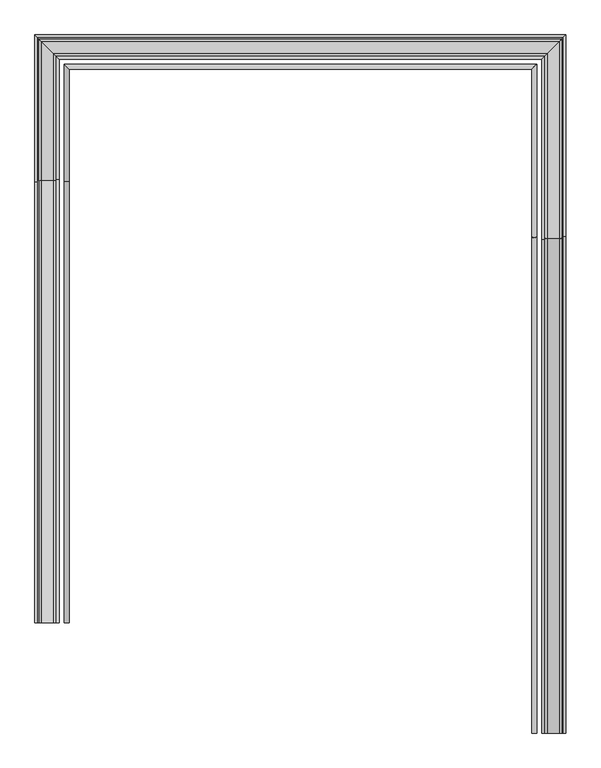
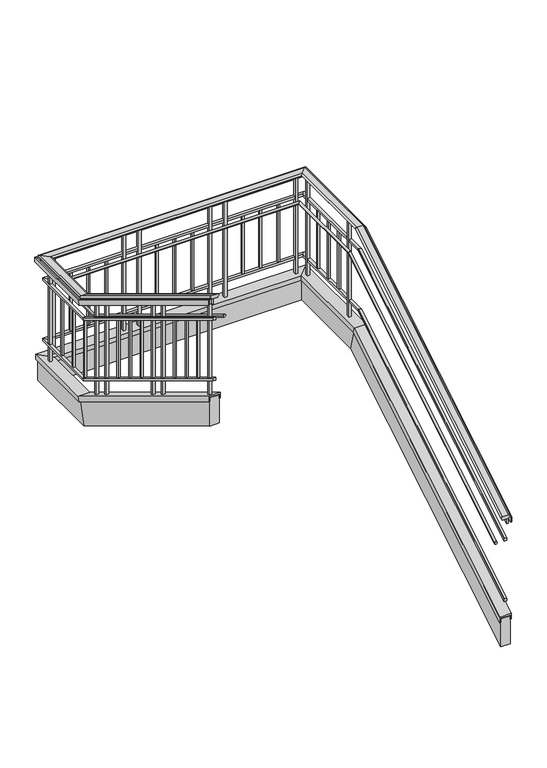
"""IFC4 building model written with IfcOpenShell, lengths in millimetres: railing geometry."""

from ifc_helpers import new_model, si_unit, frame, origin, place, context, project, spatial, polyline, ellipse_curve, outline, extrude, faceted_brep, source, transform, mapped, element, save
from ifc_brep_helpers import plane_surface, cylinder_surface, advanced_brep


def railing_9f2eba66(model_context):
    return source(origin(), model_context, "Body", "SolidModel", [
        advanced_brep(
        [(-18297.9601205, -2131.266536, 1273.259246), (-18297.9601205, -2131.266536, 1247.2709218), (-18297.9601205, -2131.266536, 1236.1333333), (-18234.6103678, -2131.266536, 1236.1333333), (-18234.6103678, -2131.266536, 1247.1970062), (-18234.6103678, -2131.266536, 1273.259246), (-18297.9601205, 374.4632081, 2791.8833333), (-18297.9601205, 380.6724315, 2769.6581748), (-18297.9601205, 383.333464, 2760.1333333), (-18234.6103678, 383.333464, 2760.1333333), (-18234.6103678, 380.6900917, 2769.5949623), (-18234.6103678, 374.4632081, 2791.8833333), (-18297.9601205, 1312.1712113, 2791.8833333), (-18297.9601205, 1312.1712113, 2769.6581748), (-18297.9601205, 1312.1712113, 2760.1333333), (-18234.6103678, 1375.520964, 2760.1333333), (-18234.6103678, 1375.520964, 2769.5949623), (-18234.6103678, 1375.520964, 2791.8833333), (-20801.9121283, 1312.1712113, 2791.8833333), (-20801.9121283, 1312.1712113, 2769.6581748), (-20801.9121283, 1312.1712113, 2760.1333333), (-20865.2618809, 1375.520964, 2760.1333333), (-20865.2618809, 1375.520964, 2769.5949623), (-20865.2618809, 1375.520964, 2791.8833333), (-20801.9121283, 671.6037198, 2791.8833333), (-20801.9121283, 665.3944964, 2769.6581748), (-20801.9121283, 662.733464, 2760.1333333), (-20865.2618809, 662.733464, 2760.1333333), (-20865.2618809, 665.3768362, 2769.5949623), (-20865.2618809, 671.6037198, 2791.8833333), (-20801.9121283, -1572.466536, 4151.9259127), (-20865.2618809, -1572.466536, 4151.9259127), (-20865.2618809, -1572.466536, 4125.8636728), (-20865.2618809, -1572.466536, 4114.8), (-20801.9121283, -1572.466536, 4114.8), (-20801.9121283, -1572.466536, 4125.9375884)],
        [
            (0, 1, ellipse_curve(frame((-18297.9601205, -2131.266536, 1260.2650839), z_axis=(0.0, -1.0, 0.0), x_axis=(0.0, 0.0, -1.0)), 12.9941621, 11.1125793)),
            (1, 2),
            (2, 3),
            (3, 4),
            (4, 5, ellipse_curve(frame((-18234.6103678, -2131.266536, 1260.2281261), z_axis=(0.0, -1.0, 0.0), x_axis=(0.0, 0.0, -1.0)), 13.0311199, 11.1441855)),
            (5, 0),
            (0, 6),
            (6, 7, ellipse_curve(frame((-18297.9601205, 377.5678198, 2780.7707541), z_axis=(0.0, -0.9631193673564087, -0.26907449567543734), x_axis=(0.0, 0.2690744956754369, -0.9631193673564088)), 11.5381121, 11.1125793)),
            (7, 1),
            (7, 8),
            (8, 2),
            (8, 9),
            (9, 3),
            (9, 10),
            (10, 4),
            (10, 11, ellipse_curve(frame((-18234.6103678, 377.5766499, 2780.7391478), z_axis=(0.0, -0.9631193673564087, -0.26907449567543734), x_axis=(0.0, 0.2690744956754369, -0.9631193673564088)), 11.5709287, 11.1441855)),
            (11, 5),
            (11, 6),
            (6, 12),
            (12, 13, ellipse_curve(frame((-18297.9601205, 1312.1712113, 2780.7707541), z_axis=(0.7071067811865475, -0.7071067811865475, 0.0), x_axis=(-0.7071067811865474, -0.7071067811865476, 0.0)), 15.7155603, 11.1125793)),
            (13, 7),
            (13, 14),
            (14, 8),
            (14, 15),
            (15, 9),
            (15, 16),
            (16, 10),
            (16, 17, ellipse_curve(frame((-18234.6103678, 1375.520964, 2780.7391478), z_axis=(0.7071067811865475, -0.7071067811865475, 0.0), x_axis=(-0.7071067811865474, -0.7071067811865476, 0.0)), 15.7602583, 11.1441855)),
            (17, 11),
            (17, 12),
            (12, 18),
            (18, 19, ellipse_curve(frame((-20801.9121283, 1312.1712113, 2780.7707541), z_axis=(0.7071067811865475, 0.7071067811865475, 0.0), x_axis=(0.7071067811865476, -0.7071067811865474, 0.0)), 15.7155603, 11.1125793)),
            (19, 13),
            (19, 20),
            (20, 14),
            (20, 21),
            (21, 15),
            (21, 22),
            (22, 16),
            (22, 23, ellipse_curve(frame((-20865.2618809, 1375.520964, 2780.7391478), z_axis=(0.7071067811865475, 0.7071067811865475, 0.0), x_axis=(0.7071067811865476, -0.7071067811865474, 0.0)), 15.7602583, 11.1441855)),
            (23, 17),
            (23, 18),
            (18, 24),
            (24, 25, ellipse_curve(frame((-20801.9121283, 668.4991081, 2780.7707541), z_axis=(0.0, 0.9631193673564087, -0.2690744956754374), x_axis=(0.0, 0.26907449567543773, 0.9631193673564086)), 11.5381121, 11.1125793)),
            (25, 19),
            (25, 26),
            (26, 20),
            (26, 27),
            (27, 21),
            (27, 28),
            (28, 22),
            (28, 29, ellipse_curve(frame((-20865.2618809, 668.490278, 2780.7391478), z_axis=(0.0, 0.9631193673564087, -0.2690744956754374), x_axis=(0.0, 0.26907449567543773, 0.9631193673564086)), 11.5709287, 11.1441855)),
            (29, 23),
            (29, 24),
            (30, 31),
            (31, 32, ellipse_curve(frame((-20865.2618809, -1572.466536, 4138.8947927), z_axis=(0.0, -1.0, 0.0), x_axis=(0.0, 0.0, -1.0)), 13.0311199, 11.1441855)),
            (32, 33),
            (33, 34),
            (34, 35),
            (35, 30, ellipse_curve(frame((-20801.9121283, -1572.466536, 4138.9317505), z_axis=(0.0, -1.0, 0.0), x_axis=(0.0, 0.0, -1.0)), 12.9941621, 11.1125793)),
            (24, 30),
            (35, 25),
            (34, 26),
            (33, 27),
            (32, 28),
            (31, 29),
        ],
        [
            plane_surface(frame((-18266.3603678, -2131.266536, 1236.1333333), z_axis=(0.0, -1.0, 0.0), x_axis=(0.0, 0.0, 1.0))),
            cylinder_surface(frame((-18297.9601205, -2141.9629466, 1253.7824108), z_axis=(0.0, -0.8551978315540181, -0.518301716093344), x_axis=(1.0, 0.0, 0.0)), 11.1125793),
            plane_surface(frame((-18297.9601205, -2131.266536, 1247.2709218), z_axis=(-1.0000000000000002, 0.0, 0.0), x_axis=(0.0, 0.8551978315540182, 0.518301716093344))),
            plane_surface(frame((-18297.9601205, -2131.266536, 1236.1333333), z_axis=(0.0, 0.518301716093344, -0.8551978315540181), x_axis=(0.0, 0.8551978315540181, 0.518301716093344))),
            plane_surface(frame((-18234.6103678, -2131.266536, 1236.1333333), z_axis=(1.0, 0.0, 0.0), x_axis=(0.0, 0.8551978315540181, 0.518301716093344))),
            cylinder_surface(frame((-18234.6103678, -2141.9465651, 1253.7553812), z_axis=(0.0, -0.8551978315540181, -0.518301716093344), x_axis=(1.0, 0.0, 0.0)), 11.1441855),
            plane_surface(frame((-18234.6103678, -2131.266536, 1273.259246), z_axis=(0.0, -0.518301716093344, 0.8551978315540181), x_axis=(0.0, 0.8551978315540181, 0.518301716093344))),
            cylinder_surface(frame((-18297.9601205, 383.333464, 2780.7707541), z_axis=(0.0, -1.0, 0.0), x_axis=(1.0, 0.0, 0.0)), 11.1125793),
            plane_surface(frame((-18297.9601205, 380.6724315, 2769.6581748), z_axis=(-1.0, 0.0, 0.0), x_axis=(0.0, 1.0, 0.0))),
            plane_surface(frame((-18297.9601205, 383.333464, 2760.1333333), z_axis=(0.0, 0.0, -1.0), x_axis=(0.0, 1.0, 0.0))),
            plane_surface(frame((-18234.6103678, 383.333464, 2760.1333333), z_axis=(1.0, 0.0, 0.0), x_axis=(0.0, 1.0, 0.0))),
            cylinder_surface(frame((-18234.6103678, 383.333464, 2780.7391478), z_axis=(0.0, -1.0, 0.0), x_axis=(1.0, 0.0, 0.0)), 11.1441855),
            plane_surface(frame((-18234.6103678, 374.4632081, 2791.8833333), z_axis=(0.0, 0.0, 1.0), x_axis=(0.0, 1.0, 0.0))),
            cylinder_surface(frame((-18266.3603678, 1312.1712113, 2780.7707541), z_axis=(1.0, 0.0, 0.0), x_axis=(0.0, 1.0, 0.0)), 11.1125793),
            plane_surface(frame((-18297.9601205, 1312.1712113, 2769.6581748), z_axis=(0.0, -1.0, 0.0), x_axis=(-1.0, 0.0, 0.0))),
            plane_surface(frame((-18297.9601205, 1312.1712113, 2760.1333333), z_axis=(0.0, 0.0, -1.0), x_axis=(-1.0, 0.0, 0.0))),
            plane_surface(frame((-18234.6103678, 1375.520964, 2760.1333333), z_axis=(0.0, 1.0, 0.0), x_axis=(-1.0, 0.0, 0.0))),
            cylinder_surface(frame((-18266.3603678, 1375.520964, 2780.7391478), z_axis=(1.0, 0.0, 0.0), x_axis=(0.0, 1.0, 0.0)), 11.1441855),
            plane_surface(frame((-18234.6103678, 1375.520964, 2791.8833333), z_axis=(0.0, 0.0, 1.0), x_axis=(-1.0, 0.0, 0.0))),
            cylinder_surface(frame((-20801.9121283, 1343.770964, 2780.7707541), z_axis=(0.0, 1.0, 0.0), x_axis=(-1.0, 0.0, 0.0)), 11.1125793),
            plane_surface(frame((-20801.9121283, 1312.1712113, 2769.6581748), z_axis=(1.0, 0.0, 0.0), x_axis=(0.0, -1.0, 0.0))),
            plane_surface(frame((-20801.9121283, 1312.1712113, 2760.1333333), z_axis=(0.0, 0.0, -1.0), x_axis=(0.0, -1.0, 0.0))),
            plane_surface(frame((-20865.2618809, 1375.520964, 2760.1333333), z_axis=(-1.0, 0.0, 0.0), x_axis=(0.0, -1.0, 0.0))),
            cylinder_surface(frame((-20865.2618809, 1343.770964, 2780.7391478), z_axis=(0.0, 1.0, 0.0), x_axis=(-1.0, 0.0, 0.0)), 11.1441855),
            plane_surface(frame((-20865.2618809, 1375.520964, 2791.8833333), z_axis=(0.0, 0.0, 1.0), x_axis=(0.0, -1.0, 0.0))),
            plane_surface(frame((-20833.5118809, -1572.466536, 4114.8), z_axis=(0.0, -1.0, 0.0), x_axis=(0.0, 0.0, -1.0))),
            cylinder_surface(frame((-20801.9121283, 673.4298745, 2777.7824108), z_axis=(0.0, 0.855197831554018, -0.5183017160933441), x_axis=(-1.0, 0.0, 0.0)), 11.1125793),
            plane_surface(frame((-20801.9121283, 665.3944964, 2769.6581748), z_axis=(1.0, 0.0, 0.0), x_axis=(0.0, -0.8551978315540181, 0.5183017160933441))),
            plane_surface(frame((-20801.9121283, 662.733464, 2760.1333333), z_axis=(0.0, -0.5183017160933441, -0.855197831554018), x_axis=(0.0, -0.855197831554018, 0.5183017160933441))),
            plane_surface(frame((-20865.2618809, 662.733464, 2760.1333333), z_axis=(-1.0000000000000002, 0.0, 0.0), x_axis=(0.0, -0.8551978315540181, 0.5183017160933442))),
            cylinder_surface(frame((-20865.2618809, 673.413493, 2777.7553812), z_axis=(0.0, 0.855197831554018, -0.5183017160933441), x_axis=(-1.0, 0.0, 0.0)), 11.1441855),
            plane_surface(frame((-20865.2618809, 671.6037198, 2791.8833333), z_axis=(0.0, 0.5183017160933441, 0.8551978315540181), x_axis=(0.0, -0.8551978315540181, 0.5183017160933441))),
        ],
        [
            (0, [[1, 2, 3, 4, 5, 6]]),
            (1, [[-1, 7, 8, 9]]),
            (2, [[-2, -9, 10, 11]]),
            (3, [[-3, -11, 12, 13]]),
            (4, [[-4, -13, 14, 15]]),
            (5, [[-5, -15, 16, 17]]),
            (6, [[-6, -17, 18, -7]]),
            (7, [[-8, 19, 20, 21]]),
            (8, [[-10, -21, 22, 23]]),
            (9, [[-12, -23, 24, 25]]),
            (10, [[-14, -25, 26, 27]]),
            (11, [[-16, -27, 28, 29]]),
            (12, [[-18, -29, 30, -19]]),
            (13, [[-20, 31, 32, 33]]),
            (14, [[-22, -33, 34, 35]]),
            (15, [[-24, -35, 36, 37]]),
            (16, [[-26, -37, 38, 39]]),
            (17, [[-28, -39, 40, 41]]),
            (18, [[-30, -41, 42, -31]]),
            (19, [[-32, 43, 44, 45]]),
            (20, [[-34, -45, 46, 47]]),
            (21, [[-36, -47, 48, 49]]),
            (22, [[-38, -49, 50, 51]]),
            (23, [[-40, -51, 52, 53]]),
            (24, [[-42, -53, 54, -43]]),
            (25, [[55, 56, 57, 58, 59, 60]]),
            (26, [[-44, 61, -60, 62]]),
            (27, [[-46, -62, -59, 63]]),
            (28, [[-48, -63, -58, 64]]),
            (29, [[-50, -64, -57, 65]]),
            (30, [[-52, -65, -56, 66]]),
            (31, [[-54, -66, -55, -61]]),
        ],
    ),
        faceted_brep([(-18240.8852442, -2131.266536, 1236.1333333), (-18253.5852442, -2131.266536, 1236.1333333), (-18253.5852442, -2131.266536, 1184.1570556), (-18240.8852442, -2131.266536, 1184.1570556), (-18240.8852442, 383.333464, 2760.1333333), (-18253.5852442, 383.333464, 2760.1333333), (-18253.5852442, 395.7518222, 2715.6833333), (-18240.8852442, 395.7518222, 2715.6833333), (-18240.8852442, 1369.2460876, 2760.1333333), (-18253.5852442, 1356.5460876, 2760.1333333), (-18253.5852442, 1356.5460876, 2715.6833333), (-18240.8852442, 1369.2460876, 2715.6833333), (-20858.9870046, 1369.2460876, 2760.1333333), (-20846.2870046, 1356.5460876, 2760.1333333), (-20846.2870046, 1356.5460876, 2715.6833333), (-20858.9870046, 1369.2460876, 2715.6833333), (-20858.9870046, 662.733464, 2760.1333333), (-20846.2870046, 662.733464, 2760.1333333), (-20846.2870046, 650.3151057, 2715.6833333), (-20858.9870046, 650.3151057, 2715.6833333), (-20858.9870046, -1572.466536, 4114.8), (-20858.9870046, -1572.466536, 4062.8237223), (-20846.2870046, -1572.466536, 4062.8237223), (-20846.2870046, -1572.466536, 4114.8)], [[[0, 1, 2, 3]], [[1, 0, 4, 5]], [[2, 1, 5, 6]], [[3, 2, 6, 7]], [[0, 3, 7, 4]], [[5, 4, 8, 9]], [[6, 5, 9, 10]], [[7, 6, 10, 11]], [[4, 7, 11, 8]], [[9, 8, 12, 13]], [[10, 9, 13, 14]], [[11, 10, 14, 15]], [[8, 11, 15, 12]], [[13, 12, 16, 17]], [[14, 13, 17, 18]], [[15, 14, 18, 19]], [[12, 15, 19, 16]], [[20, 21, 22, 23]], [[17, 16, 20, 23]], [[18, 17, 23, 22]], [[19, 18, 22, 21]], [[16, 19, 21, 20]]]),
        faceted_brep([(-18202.7852442, -2131.266536, 1236.1333333), (-18215.4852442, -2131.266536, 1236.1333333), (-18215.4852442, -2131.266536, 1184.1570556), (-18202.7852442, -2131.266536, 1184.1570556), (-18202.7852442, 383.333464, 2760.1333333), (-18215.4852442, 383.333464, 2760.1333333), (-18215.4852442, 395.7518222, 2715.6833333), (-18202.7852442, 395.7518222, 2715.6833333), (-18202.7852442, 1407.3460876, 2760.1333333), (-18215.4852442, 1394.6460876, 2760.1333333), (-18215.4852442, 1394.6460876, 2715.6833333), (-18202.7852442, 1407.3460876, 2715.6833333), (-20897.0870046, 1407.3460876, 2760.1333333), (-20884.3870046, 1394.6460876, 2760.1333333), (-20884.3870046, 1394.6460876, 2715.6833333), (-20897.0870046, 1407.3460876, 2715.6833333), (-20897.0870046, 662.733464, 2760.1333333), (-20884.3870046, 662.733464, 2760.1333333), (-20884.3870046, 650.3151057, 2715.6833333), (-20897.0870046, 650.3151057, 2715.6833333), (-20897.0870046, -1572.466536, 4114.8), (-20897.0870046, -1572.466536, 4062.8237223), (-20884.3870046, -1572.466536, 4062.8237223), (-20884.3870046, -1572.466536, 4114.8)], [[[0, 1, 2, 3]], [[1, 0, 4, 5]], [[2, 1, 5, 6]], [[3, 2, 6, 7]], [[0, 3, 7, 4]], [[5, 4, 8, 9]], [[6, 5, 9, 10]], [[7, 6, 10, 11]], [[4, 7, 11, 8]], [[9, 8, 12, 13]], [[10, 9, 13, 14]], [[11, 10, 14, 15]], [[8, 11, 15, 12]], [[13, 12, 16, 17]], [[14, 13, 17, 18]], [[15, 14, 18, 19]], [[12, 15, 19, 16]], [[20, 21, 22, 23]], [[17, 16, 20, 23]], [[18, 17, 23, 22]], [[19, 18, 22, 21]], [[16, 19, 21, 20]]]),
        faceted_brep([(-18253.6603678, -2131.266536, 1037.2340635), (-18279.0603678, -2131.266536, 1037.2340635), (-18279.0603678, -2131.266536, 1007.5333333), (-18253.6603678, -2131.266536, 1007.5333333), (-18253.6603678, 376.2372592, 2556.9333333), (-18279.0603678, 376.2372592, 2556.9333333), (-18279.0603678, 383.333464, 2531.5333333), (-18253.6603678, 383.333464, 2531.5333333), (-18253.6603678, 1356.470964, 2556.9333333), (-18279.0603678, 1331.070964, 2556.9333333), (-18279.0603678, 1331.070964, 2531.5333333), (-18253.6603678, 1356.470964, 2531.5333333), (-20846.2118809, 1356.470964, 2556.9333333), (-20820.8118809, 1331.070964, 2556.9333333), (-20820.8118809, 1331.070964, 2531.5333333), (-20846.2118809, 1356.470964, 2531.5333333), (-20846.2118809, 669.8296687, 2556.9333333), (-20820.8118809, 669.8296687, 2556.9333333), (-20820.8118809, 662.733464, 2531.5333333), (-20846.2118809, 662.733464, 2531.5333333), (-20846.2118809, -1572.466536, 3915.9007301), (-20846.2118809, -1572.466536, 3886.2), (-20820.8118809, -1572.466536, 3886.2), (-20820.8118809, -1572.466536, 3915.9007301)], [[[0, 1, 2, 3]], [[1, 0, 4, 5]], [[2, 1, 5, 6]], [[3, 2, 6, 7]], [[0, 3, 7, 4]], [[5, 4, 8, 9]], [[6, 5, 9, 10]], [[7, 6, 10, 11]], [[4, 7, 11, 8]], [[9, 8, 12, 13]], [[10, 9, 13, 14]], [[11, 10, 14, 15]], [[8, 11, 15, 12]], [[13, 12, 16, 17]], [[14, 13, 17, 18]], [[15, 14, 18, 19]], [[12, 15, 19, 16]], [[20, 21, 22, 23]], [[17, 16, 20, 23]], [[18, 17, 23, 22]], [[19, 18, 22, 21]], [[16, 19, 21, 20]]]),
        advanced_brep(
        [(-18375.8978678, -2131.266536, 1020.2333333), (-18350.4978678, -2131.266536, 1020.2333333), (-18375.8978678, 383.333464, 2544.2333333), (-18350.4978678, 383.333464, 2544.2333333), (-18375.8978678, 1234.233464, 2544.2333333), (-18350.4978678, 1259.633464, 2544.2333333), (-20723.9743809, 1234.233464, 2544.2333333), (-20749.3743809, 1259.633464, 2544.2333333), (-20723.9743809, 662.733464, 2544.2333333), (-20749.3743809, 662.733464, 2544.2333333), (-20723.9743809, -1572.466536, 3898.9), (-20749.3743809, -1572.466536, 3898.9)],
        [
            (0, 1, ellipse_curve(frame((-18363.1978678, -2131.266536, 1020.2333333), z_axis=(0.0, -1.0, 0.0), x_axis=(0.0, 0.0, -1.0)), 14.8503651, 12.7)),
            (1, 0, ellipse_curve(frame((-18363.1978678, -2131.266536, 1020.2333333), z_axis=(0.0, -1.0, 0.0), x_axis=(0.0, 0.0, -1.0)), 14.8503651, 12.7)),
            (0, 2),
            (2, 3, ellipse_curve(frame((-18363.1978678, 383.333464, 2544.2333333), z_axis=(0.0, -0.9631193673564087, -0.26907449567543734), x_axis=(0.0, 0.2690744956754374, -0.9631193673564088)), 13.1863198, 12.7)),
            (3, 1),
            (3, 2, ellipse_curve(frame((-18363.1978678, 383.333464, 2544.2333333), z_axis=(0.0, -0.9631193673564087, -0.26907449567543734), x_axis=(0.0, 0.2690744956754374, -0.9631193673564088)), 13.1863198, 12.7)),
            (2, 4),
            (4, 5, ellipse_curve(frame((-18363.1978678, 1246.933464, 2544.2333333), z_axis=(0.7071067811865475, -0.7071067811865475, 0.0), x_axis=(-0.7071067811865474, -0.7071067811865476, 0.0)), 17.9605122, 12.7)),
            (5, 3),
            (5, 4, ellipse_curve(frame((-18363.1978678, 1246.933464, 2544.2333333), z_axis=(0.7071067811865475, -0.7071067811865475, 0.0), x_axis=(-0.7071067811865474, -0.7071067811865476, 0.0)), 17.9605122, 12.7)),
            (4, 6),
            (6, 7, ellipse_curve(frame((-20736.6743809, 1246.933464, 2544.2333333), z_axis=(0.7071067811865475, 0.7071067811865475, 0.0), x_axis=(0.7071067811865476, -0.7071067811865474, 0.0)), 17.9605122, 12.7)),
            (7, 5),
            (7, 6, ellipse_curve(frame((-20736.6743809, 1246.933464, 2544.2333333), z_axis=(0.7071067811865475, 0.7071067811865475, 0.0), x_axis=(0.7071067811865476, -0.7071067811865474, 0.0)), 17.9605122, 12.7)),
            (6, 8),
            (8, 9, ellipse_curve(frame((-20736.6743809, 662.733464, 2544.2333333), z_axis=(0.0, 0.9631193673564087, -0.2690744956754374), x_axis=(0.0, 0.2690744956754378, 0.9631193673564086)), 13.1863198, 12.7)),
            (9, 7),
            (9, 8, ellipse_curve(frame((-20736.6743809, 662.733464, 2544.2333333), z_axis=(0.0, 0.9631193673564087, -0.2690744956754374), x_axis=(0.0, 0.2690744956754378, 0.9631193673564086)), 13.1863198, 12.7)),
            (10, 11, ellipse_curve(frame((-20736.6743809, -1572.466536, 3898.9), z_axis=(0.0, -1.0, 0.0), x_axis=(0.0, 0.0, -1.0)), 14.8503651, 12.7)),
            (11, 10, ellipse_curve(frame((-20736.6743809, -1572.466536, 3898.9), z_axis=(0.0, -1.0, 0.0), x_axis=(0.0, 0.0, -1.0)), 14.8503651, 12.7)),
            (8, 10),
            (11, 9),
        ],
        [
            plane_surface(frame((-18363.1978678, -2131.266536, 1020.2333333), z_axis=(0.0, -1.0, 0.0), x_axis=(0.0, 0.0, 1.0))),
            cylinder_surface(frame((-18363.1978678, -2131.266536, 1020.2333333), z_axis=(0.0, -0.8551978315540182, -0.518301716093344), x_axis=(1.0, 0.0, 0.0)), 12.7),
            cylinder_surface(frame((-18363.1978678, 383.333464, 2544.2333333), z_axis=(0.0, -1.0, 0.0), x_axis=(1.0, 0.0, 0.0)), 12.7),
            cylinder_surface(frame((-18363.1978678, 1246.933464, 2544.2333333), z_axis=(1.0, 0.0, 0.0), x_axis=(0.0, 1.0, 0.0)), 12.7),
            cylinder_surface(frame((-20736.6743809, 1246.933464, 2544.2333333), z_axis=(0.0, 1.0, 0.0), x_axis=(-1.0, 0.0, 0.0)), 12.7),
            plane_surface(frame((-20736.6743809, -1572.466536, 3898.9), z_axis=(0.0, -1.0, 0.0), x_axis=(0.0, 0.0, -1.0))),
            cylinder_surface(frame((-20736.6743809, 662.733464, 2544.2333333), z_axis=(0.0, 0.855197831554018, -0.5183017160933441), x_axis=(-1.0, 0.0, 0.0)), 12.7),
        ],
        [
            (0, [[1, 2]]),
            (1, [[-1, 3, 4, 5]]),
            (1, [[-2, -5, 6, -3]]),
            (2, [[-4, 7, 8, 9]]),
            (2, [[-6, -9, 10, -7]]),
            (3, [[-8, 11, 12, 13]]),
            (3, [[-10, -13, 14, -11]]),
            (4, [[-12, 15, 16, 17]]),
            (4, [[-14, -17, 18, -15]]),
            (5, [[19, 20]]),
            (6, [[-16, 21, -20, 22]]),
            (6, [[-18, -22, -19, -21]]),
        ],
    ),
        faceted_brep([(-18253.6603678, -2131.266536, 402.2340635), (-18279.0603678, -2131.266536, 402.2340635), (-18279.0603678, -2131.266536, 372.5333333), (-18253.6603678, -2131.266536, 372.5333333), (-18253.6603678, 376.2372592, 1921.9333333), (-18279.0603678, 376.2372592, 1921.9333333), (-18279.0603678, 383.333464, 1896.5333333), (-18253.6603678, 383.333464, 1896.5333333), (-18253.6603678, 1356.470964, 1921.9333333), (-18279.0603678, 1331.070964, 1921.9333333), (-18279.0603678, 1331.070964, 1896.5333333), (-18253.6603678, 1356.470964, 1896.5333333), (-20846.2118809, 1356.470964, 1921.9333333), (-20820.8118809, 1331.070964, 1921.9333333), (-20820.8118809, 1331.070964, 1896.5333333), (-20846.2118809, 1356.470964, 1896.5333333), (-20846.2118809, 669.8296687, 1921.9333333), (-20820.8118809, 669.8296687, 1921.9333333), (-20820.8118809, 662.733464, 1896.5333333), (-20846.2118809, 662.733464, 1896.5333333), (-20846.2118809, -1572.466536, 3280.9007301), (-20846.2118809, -1572.466536, 3251.2), (-20820.8118809, -1572.466536, 3251.2), (-20820.8118809, -1572.466536, 3280.9007301)], [[[0, 1, 2, 3]], [[1, 0, 4, 5]], [[2, 1, 5, 6]], [[3, 2, 6, 7]], [[0, 3, 7, 4]], [[5, 4, 8, 9]], [[6, 5, 9, 10]], [[7, 6, 10, 11]], [[4, 7, 11, 8]], [[9, 8, 12, 13]], [[10, 9, 13, 14]], [[11, 10, 14, 15]], [[8, 11, 15, 12]], [[13, 12, 16, 17]], [[14, 13, 17, 18]], [[15, 14, 18, 19]], [[12, 15, 19, 16]], [[20, 21, 22, 23]], [[17, 16, 20, 23]], [[18, 17, 23, 22]], [[19, 18, 22, 21]], [[16, 19, 21, 20]]]),
        faceted_brep([(-18325.0227442, -2131.266536, 226.6724478), (-18325.0227442, -2131.266536, 169.3333333), (-18312.3227442, -2131.266536, 169.3333333), (-18312.3227442, -2131.266536, 211.8220828), (-18220.2477442, -2131.266536, 211.8220828), (-18220.2477442, -2131.266536, 169.3333333), (-18207.5477442, -2131.266536, 169.3333333), (-18207.5477442, -2131.266536, 226.6724478), (-18325.0227442, 369.6337976, 1742.3696197), (-18325.0227442, 383.333464, 1693.3333333), (-18312.3227442, 383.333464, 1693.3333333), (-18312.3227442, 373.1818999, 1729.6696197), (-18220.2477442, 373.1818999, 1729.6696197), (-18220.2477442, 383.333464, 1693.3333333), (-18207.5477442, 383.333464, 1693.3333333), (-18207.5477442, 369.6337976, 1742.3696197), (-18325.0227442, 1285.1085876, 1742.3696197), (-18325.0227442, 1285.1085876, 1693.3333333), (-18312.3227442, 1297.8085876, 1693.3333333), (-18312.3227442, 1297.8085876, 1729.6696197), (-18220.2477442, 1389.8835876, 1729.6696197), (-18220.2477442, 1389.8835876, 1693.3333333), (-18207.5477442, 1402.5835876, 1693.3333333), (-18207.5477442, 1402.5835876, 1742.3696197), (-20774.8495046, 1285.1085876, 1742.3696197), (-20774.8495046, 1285.1085876, 1693.3333333), (-20787.5495046, 1297.8085876, 1693.3333333), (-20787.5495046, 1297.8085876, 1729.6696197), (-20879.6245046, 1389.8835876, 1729.6696197), (-20879.6245046, 1389.8835876, 1693.3333333), (-20892.3245046, 1402.5835876, 1693.3333333), (-20892.3245046, 1402.5835876, 1742.3696197), (-20774.8495046, 676.4331303, 1742.3696197), (-20774.8495046, 662.733464, 1693.3333333), (-20787.5495046, 662.733464, 1693.3333333), (-20787.5495046, 672.885028, 1729.6696197), (-20879.6245046, 672.885028, 1729.6696197), (-20879.6245046, 662.733464, 1693.3333333), (-20892.3245046, 662.733464, 1693.3333333), (-20892.3245046, 676.4331303, 1742.3696197), (-20774.8495046, -1572.466536, 3105.3391145), (-20892.3245046, -1572.466536, 3105.3391145), (-20892.3245046, -1572.466536, 3048.0), (-20879.6245046, -1572.466536, 3048.0), (-20879.6245046, -1572.466536, 3090.4887494), (-20787.5495046, -1572.466536, 3090.4887494), (-20787.5495046, -1572.466536, 3048.0), (-20774.8495046, -1572.466536, 3048.0)], [[[0, 1, 2, 3, 4, 5, 6, 7]], [[1, 0, 8, 9]], [[2, 1, 9, 10]], [[3, 2, 10, 11]], [[4, 3, 11, 12]], [[5, 4, 12, 13]], [[6, 5, 13, 14]], [[7, 6, 14, 15]], [[0, 7, 15, 8]], [[9, 8, 16, 17]], [[10, 9, 17, 18]], [[11, 10, 18, 19]], [[12, 11, 19, 20]], [[13, 12, 20, 21]], [[14, 13, 21, 22]], [[15, 14, 22, 23]], [[8, 15, 23, 16]], [[17, 16, 24, 25]], [[18, 17, 25, 26]], [[19, 18, 26, 27]], [[20, 19, 27, 28]], [[21, 20, 28, 29]], [[22, 21, 29, 30]], [[23, 22, 30, 31]], [[16, 23, 31, 24]], [[25, 24, 32, 33]], [[26, 25, 33, 34]], [[27, 26, 34, 35]], [[28, 27, 35, 36]], [[29, 28, 36, 37]], [[30, 29, 37, 38]], [[31, 30, 38, 39]], [[24, 31, 39, 32]], [[40, 41, 42, 43, 44, 45, 46, 47]], [[33, 32, 40, 47]], [[34, 33, 47, 46]], [[35, 34, 46, 45]], [[36, 35, 45, 44]], [[37, 36, 44, 43]], [[38, 37, 43, 42]], [[39, 38, 42, 41]], [[32, 39, 41, 40]]]),
        faceted_brep([(-18312.3227442, -2131.266536, 207.5213526), (-18312.3227442, -2131.266536, -89.4859486), (-18220.2477442, -2131.266536, -89.4859486), (-18220.2477442, -2131.266536, 207.5213526), (-18312.3227442, 380.2781046, 1729.6696197), (-18312.3227442, 451.2401517, 1475.6696197), (-18220.2477442, 451.2401517, 1475.6696197), (-18220.2477442, 380.2781046, 1729.6696197), (-18312.3227442, 1297.8085876, 1729.6696197), (-18312.3227442, 1297.8085876, 1475.6696197), (-18220.2477442, 1389.8835876, 1475.6696197), (-18220.2477442, 1389.8835876, 1729.6696197), (-20787.5495046, 1297.8085876, 1729.6696197), (-20787.5495046, 1297.8085876, 1475.6696197), (-20879.6245046, 1389.8835876, 1475.6696197), (-20879.6245046, 1389.8835876, 1729.6696197), (-20787.5495046, 665.7888233, 1729.6696197), (-20787.5495046, 594.8267762, 1475.6696197), (-20879.6245046, 594.8267762, 1475.6696197), (-20879.6245046, 665.7888233, 1729.6696197), (-20787.5495046, -1572.466536, 3086.1880193), (-20879.6245046, -1572.466536, 3086.1880193), (-20879.6245046, -1572.466536, 2789.180718), (-20787.5495046, -1572.466536, 2789.180718)], [[[0, 1, 2, 3]], [[1, 0, 4, 5]], [[2, 1, 5, 6]], [[3, 2, 6, 7]], [[0, 3, 7, 4]], [[5, 4, 8, 9]], [[6, 5, 9, 10]], [[7, 6, 10, 11]], [[4, 7, 11, 8]], [[9, 8, 12, 13]], [[10, 9, 13, 14]], [[11, 10, 14, 15]], [[8, 11, 15, 12]], [[13, 12, 16, 17]], [[14, 13, 17, 18]], [[15, 14, 18, 19]], [[12, 15, 19, 16]], [[20, 21, 22, 23]], [[17, 16, 20, 23]], [[18, 17, 23, 22]], [[19, 18, 22, 21]], [[16, 19, 21, 20]]]),
        extrude(outline(polyline([(-20843.4337559, -1474.0765544), (-20818.0337559, -1474.0765544), (-20818.0337559, -1499.4765544), (-20843.4337559, -1499.4765544), (-20843.4337559, -1474.0765544)])), frame((0.0, 0.0, 2987.7356246), z_axis=(0.0, 0.0, 1.0), x_axis=(1.0, 0.0, 0.0)), (0.0, 0.0, 1.0), 1075.1310532),
        extrude(outline(polyline([(-20840.2587559, -1277.308264), (-20821.2087559, -1277.308264), (-20821.2087559, -1296.358264), (-20840.2587559, -1296.358264), (-20840.2587559, -1277.308264)])), frame((0.0, 0.0, 3107.7896562), z_axis=(0.0, 0.0, 1.0), x_axis=(1.0, 0.0, 0.0)), (0.0, 0.0, 1.0), 605.2992699),
        extrude(outline(polyline([(-20840.2587559, -1077.3649735), (-20821.2087559, -1077.3649735), (-20821.2087559, -1096.4149735), (-20840.2587559, -1096.4149735), (-20840.2587559, -1077.3649735)])), frame((0.0, 0.0, 2986.6119044), z_axis=(0.0, 0.0, 1.0), x_axis=(1.0, 0.0, 0.0)), (0.0, 0.0, 1.0), 605.2992699),
        extrude(outline(polyline([(-20840.2587559, -877.4216831), (-20821.2087559, -877.4216831), (-20821.2087559, -896.4716831), (-20840.2587559, -896.4716831), (-20840.2587559, -877.4216831)])), frame((0.0, 0.0, 2865.4341526), z_axis=(0.0, 0.0, 1.0), x_axis=(1.0, 0.0, 0.0)), (0.0, 0.0, 1.0), 605.2992699),
        extrude(outline(polyline([(-20843.4337559, -674.3033927), (-20818.0337559, -674.3033927), (-20818.0337559, -699.7033927), (-20843.4337559, -699.7033927), (-20843.4337559, -674.3033927)])), frame((0.0, 0.0, 2503.0246174), z_axis=(0.0, 0.0, 1.0), x_axis=(1.0, 0.0, 0.0)), (0.0, 0.0, 1.0), 1075.1310532),
        extrude(outline(polyline([(-20843.4337559, -502.9234294), (-20818.0337559, -502.9234294), (-20818.0337559, -528.3234294), (-20843.4337559, -528.3234294), (-20843.4337559, -502.9234294)])), frame((0.0, 0.0, 2399.157973), z_axis=(0.0, 0.0, 1.0), x_axis=(1.0, 0.0, 0.0)), (0.0, 0.0, 1.0), 1075.1310532),
        extrude(outline(polyline([(-20840.2587559, -306.155139), (-20821.2087559, -306.155139), (-20821.2087559, -325.205139), (-20840.2587559, -325.205139), (-20840.2587559, -306.155139)])), frame((0.0, 0.0, 2519.2120046), z_axis=(0.0, 0.0, 1.0), x_axis=(1.0, 0.0, 0.0)), (0.0, 0.0, 1.0), 605.2992699),
        extrude(outline(polyline([(-20840.2587559, -106.2118485), (-20821.2087559, -106.2118485), (-20821.2087559, -125.2618485), (-20840.2587559, -125.2618485), (-20840.2587559, -106.2118485)])), frame((0.0, 0.0, 2398.0342529), z_axis=(0.0, 0.0, 1.0), x_axis=(1.0, 0.0, 0.0)), (0.0, 0.0, 1.0), 605.2992699),
        extrude(outline(polyline([(-20840.2587559, 93.7314419), (-20821.2087559, 93.7314419), (-20821.2087559, 74.6814419), (-20840.2587559, 74.6814419), (-20840.2587559, 93.7314419)])), frame((0.0, 0.0, 2276.8565011), z_axis=(0.0, 0.0, 1.0), x_axis=(1.0, 0.0, 0.0)), (0.0, 0.0, 1.0), 605.2992699),
        extrude(outline(polyline([(-20843.4337559, 296.8497323), (-20818.0337559, 296.8497323), (-20818.0337559, 271.4497323), (-20843.4337559, 271.4497323), (-20843.4337559, 296.8497323)])), frame((0.0, 0.0, 1914.4469659), z_axis=(0.0, 0.0, 1.0), x_axis=(1.0, 0.0, 0.0)), (0.0, 0.0, 1.0), 1075.1310532),
        extrude(outline(polyline([(-20843.4337559, 468.2296956), (-20818.0337559, 468.2296956), (-20818.0337559, 442.8296956), (-20843.4337559, 442.8296956), (-20843.4337559, 468.2296956)])), frame((0.0, 0.0, 1810.5803215), z_axis=(0.0, 0.0, 1.0), x_axis=(1.0, 0.0, 0.0)), (0.0, 0.0, 1.0), 1075.1310532),
        extrude(outline(polyline([(-20840.2587559, 664.997986), (-20821.2087559, 664.997986), (-20821.2087559, 645.947986), (-20840.2587559, 645.947986), (-20840.2587559, 664.997986)])), frame((0.0, 0.0, 1930.6343531), z_axis=(0.0, 0.0, 1.0), x_axis=(1.0, 0.0, 0.0)), (0.0, 0.0, 1.0), 605.2992699),
        extrude(outline(polyline([(-20840.2587559, 864.9412765), (-20821.2087559, 864.9412765), (-20821.2087559, 845.8912765), (-20840.2587559, 845.8912765), (-20840.2587559, 864.9412765)])), frame((0.0, 0.0, 1921.9333333), z_axis=(0.0, 0.0, 1.0), x_axis=(1.0, 0.0, 0.0)), (0.0, 0.0, 1.0), 609.6),
        extrude(outline(polyline([(-20840.2587559, 1064.8845669), (-20821.2087559, 1064.8845669), (-20821.2087559, 1045.8345669), (-20840.2587559, 1045.8345669), (-20840.2587559, 1064.8845669)])), frame((0.0, 0.0, 1921.9333333), z_axis=(0.0, 0.0, 1.0), x_axis=(1.0, 0.0, 0.0)), (0.0, 0.0, 1.0), 609.6),
        extrude(outline(polyline([(-20843.4337559, 1268.0028573), (-20818.0337559, 1268.0028573), (-20818.0337559, 1242.6028573), (-20843.4337559, 1242.6028573), (-20843.4337559, 1268.0028573)])), frame((0.0, 0.0, 1695.7303208), z_axis=(0.0, 0.0, 1.0), x_axis=(1.0, 0.0, 0.0)), (0.0, 0.0, 1.0), 1064.4030125),
        extrude(outline(polyline([(-20742.6927188, 1353.692839), (-20742.6927188, 1328.292839), (-20768.0927188, 1328.292839), (-20768.0927188, 1353.692839), (-20742.6927188, 1353.692839)])), frame((0.0, 0.0, 1695.7303208), z_axis=(0.0, 0.0, 1.0), x_axis=(1.0, 0.0, 0.0)), (0.0, 0.0, 1.0), 1064.4030125),
        extrude(outline(polyline([(-20570.0719654, 1350.517839), (-20570.0719654, 1331.467839), (-20589.1219654, 1331.467839), (-20589.1219654, 1350.517839), (-20570.0719654, 1350.517839)])), frame((0.0, 0.0, 1921.9333333), z_axis=(0.0, 0.0, 1.0), x_axis=(1.0, 0.0, 0.0)), (0.0, 0.0, 1.0), 609.6),
        extrude(outline(polyline([(-20394.2762121, 1350.517839), (-20394.2762121, 1331.467839), (-20413.3262121, 1331.467839), (-20413.3262121, 1350.517839), (-20394.2762121, 1350.517839)])), frame((0.0, 0.0, 1921.9333333), z_axis=(0.0, 0.0, 1.0), x_axis=(1.0, 0.0, 0.0)), (0.0, 0.0, 1.0), 609.6),
        extrude(outline(polyline([(-20218.4804587, 1350.517839), (-20218.4804587, 1331.467839), (-20237.5304587, 1331.467839), (-20237.5304587, 1350.517839), (-20218.4804587, 1350.517839)])), frame((0.0, 0.0, 1921.9333333), z_axis=(0.0, 0.0, 1.0), x_axis=(1.0, 0.0, 0.0)), (0.0, 0.0, 1.0), 609.6),
        extrude(outline(polyline([(-20039.5097054, 1353.692839), (-20039.5097054, 1328.292839), (-20064.9097054, 1328.292839), (-20064.9097054, 1353.692839), (-20039.5097054, 1353.692839)])), frame((0.0, 0.0, 1695.7303208), z_axis=(0.0, 0.0, 1.0), x_axis=(1.0, 0.0, 0.0)), (0.0, 0.0, 1.0), 1064.4030125),
        extrude(outline(polyline([(-19888.8276311, 1353.692839), (-19888.8276311, 1328.292839), (-19914.2276311, 1328.292839), (-19914.2276311, 1353.692839), (-19888.8276311, 1353.692839)])), frame((0.0, 0.0, 1695.7303208), z_axis=(0.0, 0.0, 1.0), x_axis=(1.0, 0.0, 0.0)), (0.0, 0.0, 1.0), 1064.4030125),
        extrude(outline(polyline([(-19716.2068777, 1350.517839), (-19716.2068777, 1331.467839), (-19735.2568777, 1331.467839), (-19735.2568777, 1350.517839), (-19716.2068777, 1350.517839)])), frame((0.0, 0.0, 1921.9333333), z_axis=(0.0, 0.0, 1.0), x_axis=(1.0, 0.0, 0.0)), (0.0, 0.0, 1.0), 609.6),
        extrude(outline(polyline([(-19540.4111244, 1350.517839), (-19540.4111244, 1331.467839), (-19559.4611244, 1331.467839), (-19559.4611244, 1350.517839), (-19540.4111244, 1350.517839)])), frame((0.0, 0.0, 1921.9333333), z_axis=(0.0, 0.0, 1.0), x_axis=(1.0, 0.0, 0.0)), (0.0, 0.0, 1.0), 609.6),
        extrude(outline(polyline([(-19364.615371, 1350.517839), (-19364.615371, 1331.467839), (-19383.665371, 1331.467839), (-19383.665371, 1350.517839), (-19364.615371, 1350.517839)])), frame((0.0, 0.0, 1921.9333333), z_axis=(0.0, 0.0, 1.0), x_axis=(1.0, 0.0, 0.0)), (0.0, 0.0, 1.0), 609.6),
        extrude(outline(polyline([(-19185.6446177, 1353.692839), (-19185.6446177, 1328.292839), (-19211.0446177, 1328.292839), (-19211.0446177, 1353.692839), (-19185.6446177, 1353.692839)])), frame((0.0, 0.0, 1695.7303208), z_axis=(0.0, 0.0, 1.0), x_axis=(1.0, 0.0, 0.0)), (0.0, 0.0, 1.0), 1064.4030125),
        extrude(outline(polyline([(-19034.9625434, 1353.692839), (-19034.9625434, 1328.292839), (-19060.3625434, 1328.292839), (-19060.3625434, 1353.692839), (-19034.9625434, 1353.692839)])), frame((0.0, 0.0, 1695.7303208), z_axis=(0.0, 0.0, 1.0), x_axis=(1.0, 0.0, 0.0)), (0.0, 0.0, 1.0), 1064.4030125),
        extrude(outline(polyline([(-18862.34179, 1350.517839), (-18862.34179, 1331.467839), (-18881.39179, 1331.467839), (-18881.39179, 1350.517839), (-18862.34179, 1350.517839)])), frame((0.0, 0.0, 1921.9333333), z_axis=(0.0, 0.0, 1.0), x_axis=(1.0, 0.0, 0.0)), (0.0, 0.0, 1.0), 609.6),
        extrude(outline(polyline([(-18686.5460367, 1350.517839), (-18686.5460367, 1331.467839), (-18705.5960367, 1331.467839), (-18705.5960367, 1350.517839), (-18686.5460367, 1350.517839)])), frame((0.0, 0.0, 1921.9333333), z_axis=(0.0, 0.0, 1.0), x_axis=(1.0, 0.0, 0.0)), (0.0, 0.0, 1.0), 609.6),
        extrude(outline(polyline([(-18510.7502833, 1350.517839), (-18510.7502833, 1331.467839), (-18529.8002833, 1331.467839), (-18529.8002833, 1350.517839), (-18510.7502833, 1350.517839)])), frame((0.0, 0.0, 1921.9333333), z_axis=(0.0, 0.0, 1.0), x_axis=(1.0, 0.0, 0.0)), (0.0, 0.0, 1.0), 609.6),
        extrude(outline(polyline([(-18331.77953, 1353.692839), (-18331.77953, 1328.292839), (-18357.17953, 1328.292839), (-18357.17953, 1353.692839), (-18331.77953, 1353.692839)])), frame((0.0, 0.0, 1695.7303208), z_axis=(0.0, 0.0, 1.0), x_axis=(1.0, 0.0, 0.0)), (0.0, 0.0, 1.0), 1064.4030125),
        extrude(outline(polyline([(-18256.4384928, 1251.6988821), (-18281.8384928, 1251.6988821), (-18281.8384928, 1277.0988821), (-18256.4384928, 1277.0988821), (-18256.4384928, 1251.6988821)])), frame((0.0, 0.0, 1695.7303208), z_axis=(0.0, 0.0, 1.0), x_axis=(1.0, 0.0, 0.0)), (0.0, 0.0, 1.0), 1064.4030125),
        extrude(outline(polyline([(-18259.6134928, 1076.1546496), (-18278.6634928, 1076.1546496), (-18278.6634928, 1095.2046496), (-18259.6134928, 1095.2046496), (-18259.6134928, 1076.1546496)])), frame((0.0, 0.0, 1921.9333333), z_axis=(0.0, 0.0, 1.0), x_axis=(1.0, 0.0, 0.0)), (0.0, 0.0, 1.0), 609.6),
        extrude(outline(polyline([(-18259.6134928, 897.4354171), (-18278.6634928, 897.4354171), (-18278.6634928, 916.4854171), (-18259.6134928, 916.4854171), (-18259.6134928, 897.4354171)])), frame((0.0, 0.0, 1921.9333333), z_axis=(0.0, 0.0, 1.0), x_axis=(1.0, 0.0, 0.0)), (0.0, 0.0, 1.0), 609.6),
        extrude(outline(polyline([(-18259.6134928, 718.7161845), (-18278.6634928, 718.7161845), (-18278.6634928, 737.7661845), (-18259.6134928, 737.7661845), (-18259.6134928, 718.7161845)])), frame((0.0, 0.0, 1921.9333333), z_axis=(0.0, 0.0, 1.0), x_axis=(1.0, 0.0, 0.0)), (0.0, 0.0, 1.0), 609.6),
        extrude(outline(polyline([(-18256.4384928, 536.821952), (-18281.8384928, 536.821952), (-18281.8384928, 562.221952), (-18256.4384928, 562.221952), (-18256.4384928, 536.821952)])), frame((0.0, 0.0, 1695.7303208), z_axis=(0.0, 0.0, 1.0), x_axis=(1.0, 0.0, 0.0)), (0.0, 0.0, 1.0), 1064.4030125),
    ])


if __name__ == "__main__":
    model = new_model("IFC4")
    model_context = context("Model", 3, world=origin())
    ifc_project = project(units=[si_unit("LENGTHUNIT", "METRE", prefix="MILLI")], contexts=[model_context])
    site = spatial("IfcSite", under=ifc_project)
    building = spatial("IfcBuilding", under=site)
    placement = place(None, origin())
    railing_shape = railing_9f2eba66(model_context)
    element("IfcRailing", 1, at=placement, inside=building, context=model_context, shape_type="MappedRepresentation", body=[
        mapped(railing_shape, transform((0.0, 0.0, 0.0), x_axis=(1.0, 0.0, 0.0), y_axis=(0.0, 1.0, 0.0), z_axis=(0.0, 0.0, 1.0))),
    ])
    save(model, "model.ifc")
